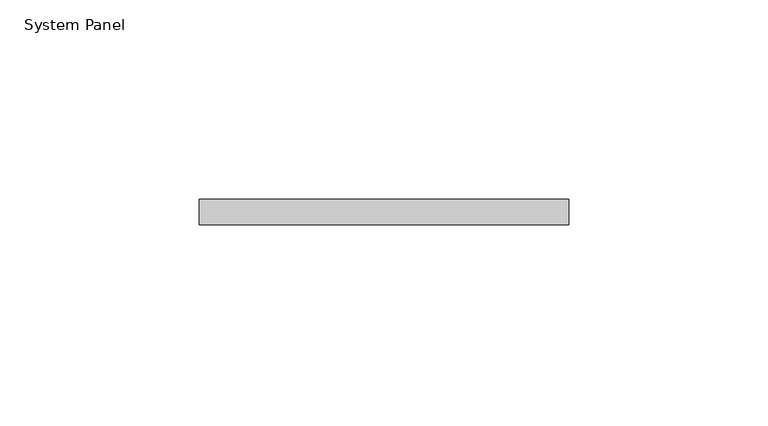
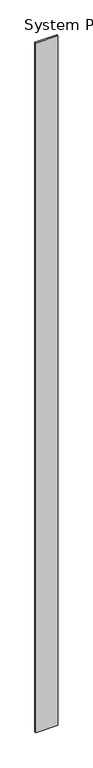
"""IFC4 building model written with IfcOpenShell, lengths in millimetres: plate geometry, System Panel."""

from ifc_helpers import new_model, si_unit, origin, origin_with_axes, place, context, project, spatial, polyline, outline, extrude, source, transform, mapped, element, save


def system_panel_e9bc2d18(model_context):
    return source(origin(), model_context, "Body", "SweptSolid", [
        extrude(outline(polyline([(46.3549338, -6.35), (-46.3549338, -6.35), (-46.3549338, 0.0), (46.3549338, 0.0), (46.3549338, -6.35)])), origin_with_axes(), (0.0, 0.0, 1.0), 3048.0),
    ])


if __name__ == "__main__":
    model = new_model("IFC4")
    model_context = context("Model", 3, world=origin())
    ifc_project = project(units=[si_unit("LENGTHUNIT", "METRE", prefix="MILLI")], contexts=[model_context])
    site = spatial("IfcSite", under=ifc_project)
    building = spatial("IfcBuilding", under=site)
    placement = place(None, origin())
    system_panel_shape = system_panel_e9bc2d18(model_context)
    element("IfcPlate", 1, ObjectType="System Panel", at=placement, inside=building, context=model_context, shape_type="MappedRepresentation", body=[
        mapped(system_panel_shape, transform((0.0, 0.0, 0.0), x_axis=(1.0, 0.0, 0.0), y_axis=(0.0, 1.0, 0.0), z_axis=(0.0, 0.0, 1.0))),
    ])
    save(model, "model.ifc")
